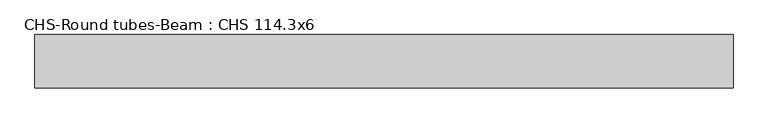
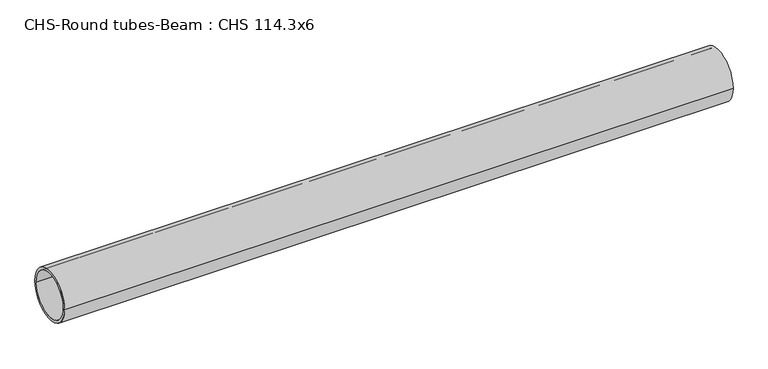
"""IFC4 building model written with IfcOpenShell, lengths in millimetres: beam geometry, CHS-Round tubes-Beam : CHS 114.3x6."""

from ifc_helpers import new_model, si_unit, point, frame, origin, origin_2d, place, context, project, spatial, circle_curve, trimmed, segment, composite_curve, outline, extrude, source, transform, mapped, element, save


def chs_round_tubes_beam_chs_114_3x6_5050f85e(model_context):
    return source(origin(), model_context, "Body", "SweptSolid", [
        extrude(outline(composite_curve([segment(trimmed(circle_curve(origin_2d(), 57.15), [point((57.15, 0.0))], [point((-57.15, 0.0))], False, "CARTESIAN"), True, "CONTINUOUS"), segment(trimmed(circle_curve(origin_2d(), 57.15), [point((-57.15, 0.0))], [point((57.15, 0.0))], False, "CARTESIAN"), True, "CONTINUOUS")], self_intersect=False), holes=[composite_curve([segment(trimmed(circle_curve(origin_2d(), 51.15), [point((51.15, 0.0))], [point((-51.15, 0.0))], True, "CARTESIAN"), True, "CONTINUOUS"), segment(trimmed(circle_curve(origin_2d(), 51.15), [point((-51.15, 0.0))], [point((51.15, 0.0))], True, "CARTESIAN"), True, "CONTINUOUS")], self_intersect=False)]), frame((-759.958958, 0.0, 0.0), z_axis=(1.0, 0.0, 0.0), x_axis=(0.0, 1.0, 0.0)), (0.0, 0.0, 1.0), 1495.8156311),
    ])


if __name__ == "__main__":
    model = new_model("IFC4")
    model_context = context("Model", 3, world=origin())
    ifc_project = project(units=[si_unit("LENGTHUNIT", "METRE", prefix="MILLI")], contexts=[model_context])
    site = spatial("IfcSite", under=ifc_project)
    building = spatial("IfcBuilding", under=site)
    placement = place(None, origin())
    chs_round_tubes_beam_chs_114_3x6_shape = chs_round_tubes_beam_chs_114_3x6_5050f85e(model_context)
    element("IfcBeam", 1, ObjectType="CHS-Round tubes-Beam : CHS 114.3x6", at=placement, inside=building, context=model_context, shape_type="MappedRepresentation", body=[
        mapped(chs_round_tubes_beam_chs_114_3x6_shape, transform((0.0, 0.0, 0.0), x_axis=(1.0, 0.0, 0.0), y_axis=(0.0, 1.0, 0.0), z_axis=(0.0, 0.0, 1.0))),
    ])
    save(model, "model.ifc")
